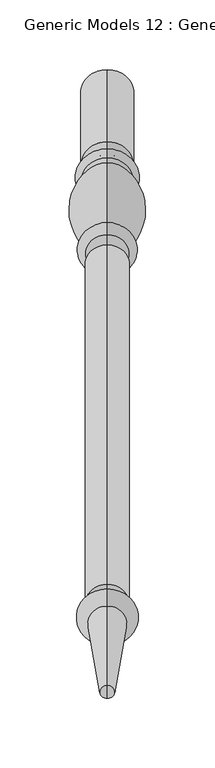
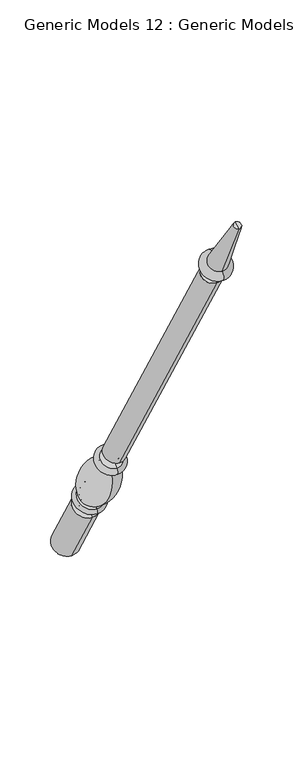
"""IFC4 building model written with IfcOpenShell, lengths in millimetres: proxy geometry, Generic Models 12 : Generic Models 2."""

from ifc_helpers import new_model, si_unit, point, frame, origin, place, context, project, spatial, polyline, circle_curve, ellipse_curve, trimmed, source, transform, mapped, element, save
from ifc_brep_helpers import plane_surface, cylinder_surface, revolved_surface, advanced_brep


def generic_models_12_generic_models_2_fdc579f7(model_context):
    return source(origin(), model_context, "Body", "AdvancedBrep", [
        advanced_brep(
        [(-1086.2684498, 1861.1601077, 610.5814746), (-1086.2684498, 1828.1645398, 591.5314746), (-1086.2684498, 1880.0576333, 501.65), (-1086.2684498, 1913.0532012, 520.7), (-1086.2684498, 1853.6896456, 623.5206944), (-1086.2684498, 1820.6940777, 604.4706944), (-1086.2684498, 1849.5864045, 630.6277165), (-1086.2684498, 1816.5908366, 611.5777165), (-1086.2684498, 1845.9182158, 636.9812058), (-1086.2684498, 1812.9226479, 617.9312058), (-1086.2684498, 1801.1569262, 703.055156), (-1086.2684498, 1778.0815733, 689.7325947), (-1086.2684498, 1799.8610191, 710.4046105), (-1086.2684498, 1772.3647125, 694.5296105), (-1086.2684498, 1794.1590629, 720.2806883), (-1086.2684498, 1766.6627563, 704.4056883), (-1086.2684498, 1786.7732215, 733.0733408), (-1086.2684498, 1759.276915, 717.1983408), (-1086.2684498, 1542.2982215, 1156.516462), (-1086.2684498, 1514.801915, 1140.641462), (-1086.2684498, 1537.2251467, 1153.5875209), (-1086.2684498, 1519.8749898, 1143.5704031), (-1086.2684498, 1531.1910418, 1164.0388972), (-1086.2684498, 1513.8408848, 1154.0217794), (-1086.2684498, 1534.7597609, 1166.0992981), (-1086.2684498, 1510.2721658, 1151.9613785), (-1086.2684498, 1526.5847892, 1180.2587644), (-1086.2684498, 1502.0971941, 1166.1208448), (-1086.2684498, 1469.4852742, 1261.8053229), (-1086.2684498, 1460.0255603, 1256.3437545), (-1086.2684498, 1464.7554173, 1259.0745387), (-1086.2684498, 1896.5554173, 511.175)],
        [
            (0, 1, circle_curve(frame((-1086.2684498, 1844.6623237, 601.0564746), z_axis=(0.0, 0.5000000000000062, -0.8660254037844352), x_axis=(0.0, -0.8660254037844352, -0.5000000000000062)), 19.05)),
            (1, 2),
            (2, 3, circle_curve(frame((-1086.2684498, 1896.5554173, 511.175), z_axis=(0.0, -0.5000000000000062, 0.8660254037844352), x_axis=(0.0, -0.8660254037844352, -0.5000000000000062)), 19.05)),
            (3, 0),
            (1, 0, circle_curve(frame((-1086.2684498, 1844.6623237, 601.0564746), z_axis=(0.0, 0.5000000000000062, -0.8660254037844352), x_axis=(0.0, -0.8660254037844352, -0.5000000000000062)), 19.05)),
            (3, 2, circle_curve(frame((-1086.2684498, 1896.5554173, 511.175), z_axis=(0.0, -0.5000000000000062, 0.8660254037844352), x_axis=(0.0, -0.8660254037844352, -0.5000000000000062)), 19.05)),
            (4, 5, circle_curve(frame((-1086.2684498, 1837.1918617, 613.9956944), z_axis=(0.0, 0.5000000000000062, -0.8660254037844352), x_axis=(0.0, -0.8660254037844352, -0.5000000000000062)), 19.05)),
            (5, 1, circle_curve(frame((-1086.2684498, 1821.8102989, 596.4889985), z_axis=(-1.0, 0.0, 0.0), x_axis=(0.0, 0.8660254037844352, 0.5000000000000062)), 8.0593685)),
            (0, 4, circle_curve(frame((-1086.2684498, 1860.0438865, 618.5631706), z_axis=(-1.0, 0.0, 0.0), x_axis=(0.0, -0.8660254037844352, -0.5000000000000062)), 8.0593685)),
            (5, 4, circle_curve(frame((-1086.2684498, 1837.1918617, 613.9956944), z_axis=(0.0, 0.5000000000000062, -0.8660254037844352), x_axis=(0.0, -0.8660254037844352, -0.5000000000000062)), 19.05)),
            (6, 7, circle_curve(frame((-1086.2684498, 1833.0886205, 621.1027165), z_axis=(0.0, 0.5000000000000062, -0.8660254037844352), x_axis=(0.0, -0.8660254037844352, -0.5000000000000062)), 19.05)),
            (7, 5, circle_curve(frame((-1086.2684498, 1818.6424572, 608.0242055), z_axis=(1.0, 0.0, 0.0), x_axis=(0.0, 0.8660254037844352, 0.5000000000000062)), 4.1032411)),
            (4, 6, circle_curve(frame((-1086.2684498, 1851.638025, 627.0742055), z_axis=(1.0, 0.0, 0.0), x_axis=(0.0, -0.8660254037844352, -0.5000000000000062)), 4.1032411)),
            (7, 6, circle_curve(frame((-1086.2684498, 1833.0886205, 621.1027165), z_axis=(0.0, 0.5000000000000062, -0.8660254037844352), x_axis=(0.0, -0.8660254037844352, -0.5000000000000062)), 19.05)),
            (8, 9, circle_curve(frame((-1086.2684498, 1829.4204318, 627.4562058), z_axis=(0.0, 0.5000000000000062, -0.8660254037844352), x_axis=(0.0, -0.8660254037844352, -0.5000000000000062)), 19.05)),
            (9, 7, circle_curve(frame((-1086.2684498, 1813.3633086, 613.9499618), z_axis=(-1.0, 0.0, 0.0), x_axis=(0.0, 0.8660254037844352, 0.5000000000000062)), 4.0055568)),
            (6, 8, circle_curve(frame((-1086.2684498, 1849.1457438, 634.6089605), z_axis=(-1.0, 0.0, 0.0), x_axis=(0.0, -0.8660254037844352, -0.5000000000000062)), 4.0055568)),
            (9, 8, circle_curve(frame((-1086.2684498, 1829.4204318, 627.4562058), z_axis=(0.0, 0.5000000000000062, -0.8660254037844352), x_axis=(0.0, -0.8660254037844352, -0.5000000000000062)), 19.05)),
            (10, 11, circle_curve(frame((-1086.2684498, 1789.6192497, 696.3938754), z_axis=(0.0, 0.5000000000000062, -0.8660254037844352), x_axis=(0.0, -0.8660254037844352, -0.5000000000000062)), 13.3225612)),
            (11, 9, circle_curve(frame((-1086.2684498, 1854.1299968, 682.2806335), z_axis=(1.0, 0.0, 0.0), x_axis=(0.0, 0.8660254037844352, 0.5000000000000062)), 76.412659)),
            (8, 10, circle_curve(frame((-1086.2684498, 1769.5863022, 633.4693086), z_axis=(1.0, 0.0, 0.0), x_axis=(0.0, -0.8660254037844352, -0.5000000000000062)), 76.412659)),
            (11, 10, circle_curve(frame((-1086.2684498, 1789.6192497, 696.3938754), z_axis=(0.0, 0.5000000000000062, -0.8660254037844352), x_axis=(0.0, -0.8660254037844352, -0.5000000000000062)), 13.3225612)),
            (12, 13, circle_curve(frame((-1086.2684498, 1786.1128658, 702.4671105), z_axis=(0.0, 0.5000000000000062, -0.8660254037844352), x_axis=(0.0, -0.8660254037844352, -0.5000000000000062)), 15.875)),
            (13, 11, circle_curve(frame((-1086.2684498, 1773.4069828, 689.9666873), z_axis=(-1.0, 0.0, 0.0), x_axis=(0.0, 0.8660254037844352, 0.5000000000000062)), 4.6804482)),
            (10, 12, circle_curve(frame((-1086.2684498, 1803.2914914, 707.2205164), z_axis=(-1.0, 0.0, 0.0), x_axis=(0.0, -0.8660254037844352, -0.5000000000000062)), 4.6804482)),
            (13, 12, circle_curve(frame((-1086.2684498, 1786.1128658, 702.4671105), z_axis=(0.0, 0.5000000000000062, -0.8660254037844352), x_axis=(0.0, -0.8660254037844352, -0.5000000000000062)), 15.875)),
            (14, 15, circle_curve(frame((-1086.2684498, 1780.4109096, 712.3431883), z_axis=(0.0, 0.5000000000000062, -0.8660254037844352), x_axis=(0.0, -0.8660254037844352, -0.5000000000000062)), 15.875)),
            (15, 13, circle_curve(frame((-1086.2684498, 1769.5137344, 699.4676494), z_axis=(1.0, 0.0, 0.0), x_axis=(0.0, 0.8660254037844352, 0.5000000000000062)), 5.7019562)),
            (12, 14, circle_curve(frame((-1086.2684498, 1797.010041, 715.3426494), z_axis=(1.0, 0.0, 0.0), x_axis=(0.0, -0.8660254037844352, -0.5000000000000062)), 5.7019562)),
            (15, 14, circle_curve(frame((-1086.2684498, 1780.4109096, 712.3431883), z_axis=(0.0, 0.5000000000000062, -0.8660254037844352), x_axis=(0.0, -0.8660254037844352, -0.5000000000000062)), 15.875)),
            (16, 17, circle_curve(frame((-1086.2684498, 1773.0250683, 725.1358408), z_axis=(0.0, 0.5000000000000062, -0.8660254037844352), x_axis=(0.0, -0.8660254037844352, -0.5000000000000062)), 15.875)),
            (17, 15, circle_curve(frame((-1086.2684498, 1762.9698356, 710.8020145), z_axis=(-1.0, 0.0, 0.0), x_axis=(0.0, 0.8660254037844352, 0.5000000000000062)), 7.3858413)),
            (14, 16, circle_curve(frame((-1086.2684498, 1790.4661422, 726.6770145), z_axis=(-1.0, 0.0, 0.0), x_axis=(0.0, -0.8660254037844352, -0.5000000000000062)), 7.3858413)),
            (17, 16, circle_curve(frame((-1086.2684498, 1773.0250683, 725.1358408), z_axis=(0.0, 0.5000000000000062, -0.8660254037844352), x_axis=(0.0, -0.8660254037844352, -0.5000000000000062)), 15.875)),
            (18, 19, circle_curve(frame((-1086.2684498, 1528.5500683, 1148.578962), z_axis=(0.0, 0.5000000000000062, -0.8660254037844352), x_axis=(0.0, -0.8660254037844352, -0.5000000000000062)), 15.875)),
            (19, 17),
            (16, 18),
            (19, 18, circle_curve(frame((-1086.2684498, 1528.5500683, 1148.578962), z_axis=(0.0, 0.5000000000000062, -0.8660254037844352), x_axis=(0.0, -0.8660254037844352, -0.5000000000000062)), 15.875)),
            (20, 21, circle_curve(frame((-1086.2684498, 1528.5500683, 1148.578962), z_axis=(0.0, 0.5000000000000062, -0.8660254037844352), x_axis=(0.0, -0.8660254037844352, -0.5000000000000062)), 10.0171178)),
            (21, 19),
            (18, 20),
            (21, 20, circle_curve(frame((-1086.2684498, 1528.5500683, 1148.578962), z_axis=(0.0, 0.5000000000000062, -0.8660254037844352), x_axis=(0.0, -0.8660254037844352, -0.5000000000000062)), 10.0171178)),
            (22, 23, circle_curve(frame((-1086.2684498, 1522.5159633, 1159.0303383), z_axis=(0.0, 0.5000000000000062, -0.8660254037844352), x_axis=(0.0, -0.8660254037844352, -0.5000000000000062)), 10.0171178)),
            (23, 21, circle_curve(frame((-1086.2684498, 1515.3020818, 1147.8978177), z_axis=(-1.0, 0.0, 0.0), x_axis=(0.0, 0.8660254037844352, 0.5000000000000062)), 6.295872)),
            (20, 22, circle_curve(frame((-1086.2684498, 1535.7639497, 1159.7114826), z_axis=(-1.0, 0.0, 0.0), x_axis=(0.0, -0.8660254037844352, -0.5000000000000062)), 6.295872)),
            (23, 22, circle_curve(frame((-1086.2684498, 1522.5159633, 1159.0303383), z_axis=(0.0, 0.5000000000000062, -0.8660254037844352), x_axis=(0.0, -0.8660254037844352, -0.5000000000000062)), 10.0171178)),
            (24, 25, circle_curve(frame((-1086.2684498, 1522.5159633, 1159.0303383), z_axis=(0.0, 0.5000000000000062, -0.8660254037844352), x_axis=(0.0, -0.8660254037844352, -0.5000000000000062)), 14.1379196)),
            (25, 23),
            (22, 24),
            (25, 24, circle_curve(frame((-1086.2684498, 1522.5159633, 1159.0303383), z_axis=(0.0, 0.5000000000000062, -0.8660254037844352), x_axis=(0.0, -0.8660254037844352, -0.5000000000000062)), 14.1379196)),
            (26, 27, circle_curve(frame((-1086.2684498, 1514.3409916, 1173.1898046), z_axis=(0.0, 0.5000000000000062, -0.8660254037844352), x_axis=(0.0, -0.8660254037844352, -0.5000000000000062)), 14.1379196)),
            (27, 25, circle_curve(frame((-1086.2684498, 1506.1846799, 1159.0411116), z_axis=(1.0, 0.0, 0.0), x_axis=(0.0, 0.8660254037844352, 0.5000000000000062)), 8.1749717)),
            (24, 26, circle_curve(frame((-1086.2684498, 1530.672275, 1173.1790313), z_axis=(1.0, 0.0, 0.0), x_axis=(0.0, -0.8660254037844352, -0.5000000000000062)), 8.1749717)),
            (27, 26, circle_curve(frame((-1086.2684498, 1514.3409916, 1173.1898046), z_axis=(0.0, 0.5000000000000062, -0.8660254037844352), x_axis=(0.0, -0.8660254037844352, -0.5000000000000062)), 14.1379196)),
            (28, 29, circle_curve(frame((-1086.2684498, 1464.7554173, 1259.0745387), z_axis=(0.0, 0.5000000000000062, -0.8660254037844352), x_axis=(0.0, -0.8660254037844352, -0.5000000000000062)), 5.4615684)),
            (29, 27),
            (26, 28),
            (29, 28, circle_curve(frame((-1086.2684498, 1464.7554173, 1259.0745387), z_axis=(0.0, 0.5000000000000062, -0.8660254037844352), x_axis=(0.0, -0.8660254037844352, -0.5000000000000062)), 5.4615684)),
            (30, 29),
            (28, 30),
            (2, 31),
            (31, 3),
        ],
        [
            cylinder_surface(frame((-1086.2684498, 1464.7554173, 1259.0745387), z_axis=(0.0, -0.5000000000000062, 0.8660254037844352), x_axis=(0.0, -0.8660254037844352, -0.5000000000000062)), 19.05),
            revolved_surface(trimmed(ellipse_curve(frame((-1086.2684498, 1821.8102989, 596.4889985), z_axis=(1.0, 0.0, 0.0), x_axis=(0.0, 0.8660254037844352, 0.5000000000000062)), 8.0593685, 8.0593685), [point((-1086.2684498, 1828.1645398, 591.5314746))], [point((-1086.2684498, 1820.6940777, 604.4706944))], True, "CARTESIAN"), (-1086.2684498, 1464.7554173, 1259.0745387), (0.0, -0.5000000000000062, 0.8660254037844352)),
            revolved_surface(trimmed(ellipse_curve(frame((-1086.2684498, 1818.6424572, 608.0242055), z_axis=(-1.0, 0.0, 0.0), x_axis=(0.0, 0.8660254037844352, 0.5000000000000062)), 4.1032411, 4.1032411), [point((-1086.2684498, 1820.6940777, 604.4706944))], [point((-1086.2684498, 1816.5908366, 611.5777165))], True, "CARTESIAN"), (-1086.2684498, 1464.7554173, 1259.0745387), (0.0, -0.5000000000000062, 0.8660254037844352)),
            revolved_surface(trimmed(ellipse_curve(frame((-1086.2684498, 1813.3633086, 613.9499618), z_axis=(1.0, 0.0, 0.0), x_axis=(0.0, 0.8660254037844352, 0.5000000000000062)), 4.0055568, 4.0055568), [point((-1086.2684498, 1816.5908366, 611.5777165))], [point((-1086.2684498, 1812.9226479, 617.9312058))], True, "CARTESIAN"), (-1086.2684498, 1464.7554173, 1259.0745387), (0.0, -0.5000000000000062, 0.8660254037844352)),
            revolved_surface(trimmed(ellipse_curve(frame((-1086.2684498, 1854.1299968, 682.2806335), z_axis=(-1.0, 0.0, 0.0), x_axis=(0.0, 0.8660254037844352, 0.5000000000000062)), 76.412659, 76.412659), [point((-1086.2684498, 1812.9226479, 617.9312058))], [point((-1086.2684498, 1778.0815733, 689.7325947))], True, "CARTESIAN"), (-1086.2684498, 1464.7554173, 1259.0745387), (0.0, -0.5000000000000062, 0.8660254037844352)),
            revolved_surface(trimmed(ellipse_curve(frame((-1086.2684498, 1773.4069828, 689.9666873), z_axis=(1.0, 0.0, 0.0), x_axis=(0.0, 0.8660254037844352, 0.5000000000000062)), 4.6804482, 4.6804482), [point((-1086.2684498, 1778.0815733, 689.7325947))], [point((-1086.2684498, 1772.3647125, 694.5296105))], True, "CARTESIAN"), (-1086.2684498, 1464.7554173, 1259.0745387), (0.0, -0.5000000000000062, 0.8660254037844352)),
            revolved_surface(trimmed(ellipse_curve(frame((-1086.2684498, 1769.5137344, 699.4676494), z_axis=(-1.0, 0.0, 0.0), x_axis=(0.0, 0.8660254037844352, 0.5000000000000062)), 5.7019562, 5.7019562), [point((-1086.2684498, 1772.3647125, 694.5296105))], [point((-1086.2684498, 1766.6627563, 704.4056883))], True, "CARTESIAN"), (-1086.2684498, 1464.7554173, 1259.0745387), (0.0, -0.5000000000000062, 0.8660254037844352)),
            revolved_surface(trimmed(ellipse_curve(frame((-1086.2684498, 1762.9698356, 710.8020145), z_axis=(1.0, 0.0, 0.0), x_axis=(0.0, 0.8660254037844352, 0.5000000000000062)), 7.3858413, 7.3858413), [point((-1086.2684498, 1766.6627563, 704.4056883))], [point((-1086.2684498, 1759.276915, 717.1983408))], True, "CARTESIAN"), (-1086.2684498, 1464.7554173, 1259.0745387), (0.0, -0.5000000000000062, 0.8660254037844352)),
            cylinder_surface(frame((-1086.2684498, 1464.7554173, 1259.0745387), z_axis=(0.0, -0.5000000000000062, 0.8660254037844352), x_axis=(0.0, -0.8660254037844352, -0.5000000000000062)), 15.875),
            plane_surface(frame((-1086.2684498, 1528.5500683, 1148.578962), z_axis=(0.0, -0.5000000000000062, 0.8660254037844352), x_axis=(0.0, -0.8660254037844352, -0.5000000000000062))),
            revolved_surface(trimmed(ellipse_curve(frame((-1086.2684498, 1515.3020818, 1147.8978177), z_axis=(1.0, 0.0, 0.0), x_axis=(0.0, 0.8660254037844352, 0.5000000000000062)), 6.295872, 6.295872), [point((-1086.2684498, 1519.8749898, 1143.5704031))], [point((-1086.2684498, 1513.8408848, 1154.0217794))], True, "CARTESIAN"), (-1086.2684498, 1464.7554173, 1259.0745387), (0.0, -0.5000000000000062, 0.8660254037844352)),
            plane_surface(frame((-1086.2684498, 1522.5159633, 1159.0303383), z_axis=(0.0, 0.5000000000000062, -0.8660254037844352), x_axis=(0.0, -0.8660254037844352, -0.5000000000000062))),
            revolved_surface(trimmed(ellipse_curve(frame((-1086.2684498, 1506.1846799, 1159.0411116), z_axis=(-1.0, 0.0, 0.0), x_axis=(0.0, 0.8660254037844352, 0.5000000000000062)), 8.1749717, 8.1749717), [point((-1086.2684498, 1510.2721658, 1151.9613785))], [point((-1086.2684498, 1502.0971941, 1166.1208448))], True, "CARTESIAN"), (-1086.2684498, 1464.7554173, 1259.0745387), (0.0, -0.5000000000000062, 0.8660254037844352)),
            revolved_surface(polyline([(-1086.2684498, 1502.0971941, 1166.1208448), (-1086.2684498, 1460.0255603, 1256.3437545)]), (-1086.2684498, 1464.7554173, 1259.0745387), (0.0, -0.5000000000000062, 0.8660254037844352)),
            plane_surface(frame((-1086.2684498, 1464.7554173, 1259.0745387), z_axis=(0.0, -0.5000000000000062, 0.8660254037844352), x_axis=(0.0, -0.8660254037844352, -0.5000000000000062))),
            plane_surface(frame((-1086.2684498, 1896.5554173, 511.175), z_axis=(0.0, 0.5000000000000062, -0.8660254037844352), x_axis=(0.0, -0.8660254037844352, -0.5000000000000062))),
        ],
        [
            (0, [[1, 2, 3, 4]]),
            (0, [[5, -4, 6, -2]]),
            (1, [[7, 8, -1, 9]]),
            (1, [[10, -9, -5, -8]]),
            (2, [[11, 12, -7, 13]]),
            (2, [[14, -13, -10, -12]]),
            (3, [[15, 16, -11, 17]]),
            (3, [[18, -17, -14, -16]]),
            (4, [[19, 20, -15, 21]]),
            (4, [[22, -21, -18, -20]]),
            (5, [[23, 24, -19, 25]]),
            (5, [[26, -25, -22, -24]]),
            (6, [[27, 28, -23, 29]]),
            (6, [[30, -29, -26, -28]]),
            (7, [[31, 32, -27, 33]]),
            (7, [[34, -33, -30, -32]]),
            (8, [[35, 36, -31, 37]]),
            (8, [[38, -37, -34, -36]]),
            (9, [[39, 40, -35, 41]]),
            (9, [[42, -41, -38, -40]]),
            (10, [[43, 44, -39, 45]]),
            (10, [[46, -45, -42, -44]]),
            (11, [[47, 48, -43, 49]]),
            (11, [[50, -49, -46, -48]]),
            (12, [[51, 52, -47, 53]]),
            (12, [[54, -53, -50, -52]]),
            (13, [[55, 56, -51, 57]]),
            (13, [[58, -57, -54, -56]]),
            (14, [[59, -55, 60]]),
            (14, [[-60, -58, -59]]),
            (15, [[-3, 61, 62]]),
            (15, [[-6, -62, -61]]),
        ],
    ),
    ])


if __name__ == "__main__":
    model = new_model("IFC4")
    model_context = context("Model", 3, world=origin())
    ifc_project = project(units=[si_unit("LENGTHUNIT", "METRE", prefix="MILLI")], contexts=[model_context])
    site = spatial("IfcSite", under=ifc_project)
    building = spatial("IfcBuilding", under=site)
    placement = place(None, origin())
    generic_models_12_generic_models_2_shape = generic_models_12_generic_models_2_fdc579f7(model_context)
    element("IfcBuildingElementProxy", 1, Name="Generic Models 12 : Generic Models 2", ObjectType="Generic Models 12 : Generic Models 2", at=placement, inside=building, context=model_context, shape_type="MappedRepresentation", body=[
        mapped(generic_models_12_generic_models_2_shape, transform((0.0, 0.0, 0.0), x_axis=(1.0, 0.0, 0.0), y_axis=(0.0, 1.0, 0.0), z_axis=(0.0, 0.0, 1.0))),
    ])
    save(model, "model.ifc")
